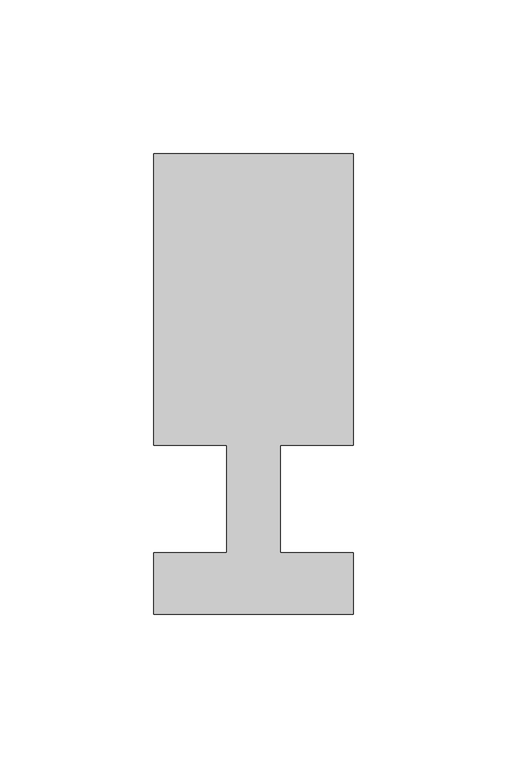
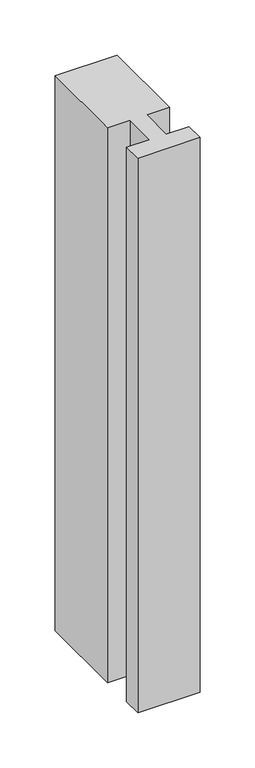
"""IFC4 building model written with IfcOpenShell, lengths in millimetres: member geometry."""

from ifc_helpers import new_model, si_unit, frame, origin, place, context, project, spatial, polyline, outline, extrude, source, transform, mapped, element, save


def member_a2feacba(model_context):
    return source(origin(), model_context, "Body", "SweptSolid", [
        extrude(outline(polyline([(0.0, -37.0), (-65.0, -37.0), (-65.0, -17.0), (-41.1875, -17.0), (-41.1875, 18.0), (-65.0, 18.0), (-65.0, 113.0), (0.0, 113.0), (0.0, 18.0), (-23.8125, 18.0), (-23.8125, -17.0), (0.0, -17.0), (0.0, -37.0)])), frame((0.0, 0.0, -613.2848937), z_axis=(0.0, 0.0, 1.0), x_axis=(1.0, 0.0, 0.0)), (0.0, 0.0, 1.0), 613.2848937),
    ])


if __name__ == "__main__":
    model = new_model("IFC4")
    model_context = context("Model", 3, world=origin())
    ifc_project = project(units=[si_unit("LENGTHUNIT", "METRE", prefix="MILLI")], contexts=[model_context])
    site = spatial("IfcSite", under=ifc_project)
    building = spatial("IfcBuilding", under=site)
    placement = place(None, origin())
    member_shape = member_a2feacba(model_context)
    element("IfcMember", 1, at=placement, inside=building, context=model_context, shape_type="MappedRepresentation", body=[
        mapped(member_shape, transform((0.0, 0.0, 0.0), x_axis=(1.0, 0.0, 0.0), y_axis=(0.0, 1.0, 0.0), z_axis=(0.0, 0.0, 1.0))),
    ])
    save(model, "model.ifc")
